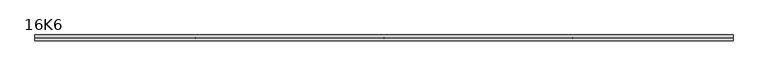
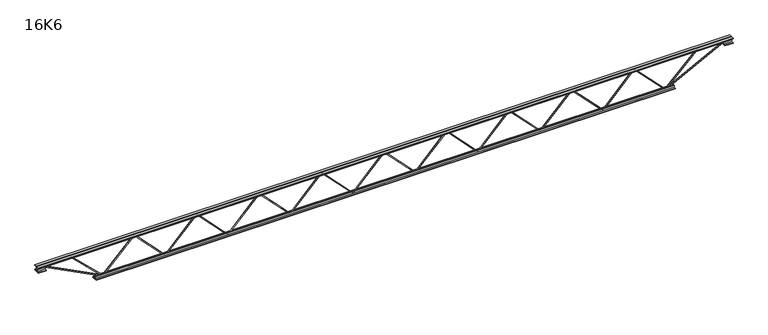
"""IFC4 building model written with IfcOpenShell, lengths in millimetres: beam geometry, 16K6."""

from ifc_helpers import new_model, si_unit, frame, origin, place, context, project, spatial, polyline, outline, extrude, source, transform, mapped, element, save


def beam_16k6_9fa50b86(model_context):
    return source(origin(), model_context, "Body", "SweptSolid", [
        extrude(outline(polyline([(-191.9, 1923.8888889), (-201.4, 1923.8888889), (-201.4, 1929.0852354), (191.9, 2307.5130131), (191.9, 2309.8203202), (-201.4, 2688.248098), (-201.4, 2693.4444444), (-191.9, 2693.4444444), (-191.9, 2692.2907909), (201.4, 2313.8630131), (201.4, 2303.4703202), (-191.9, 1925.0425424), (-191.9, 1923.8888889)])), frame((0.0, -4.75, 0.0), z_axis=(0.0, 1.0, 0.0), x_axis=(0.0, 0.0, 1.0)), (0.0, 0.0, 1.0), 9.5),
        extrude(outline(polyline([(-191.9, 1154.3333333), (-201.4, 1154.3333333), (-201.4, 1159.5296798), (191.9, 1537.9574576), (191.9, 1540.2647646), (-201.4, 1918.6925424), (-201.4, 1923.8888889), (-191.9, 1923.8888889), (-191.9, 1922.7352354), (201.4, 1544.3074576), (201.4, 1533.9147646), (-191.9, 1155.4869869), (-191.9, 1154.3333333)])), frame((0.0, -4.75, 0.0), z_axis=(0.0, 1.0, 0.0), x_axis=(0.0, 0.0, 1.0)), (0.0, 0.0, 1.0), 9.5),
        extrude(outline(polyline([(-191.9, 384.7777778), (-201.4, 384.7777778), (-201.4, 389.9741243), (191.9, 768.401902), (191.9, 770.7092091), (-201.4, 1149.1369869), (-201.4, 1154.3333333), (-191.9, 1154.3333333), (-191.9, 1153.1796798), (201.4, 774.751902), (201.4, 764.3592091), (-191.9, 385.9314313), (-191.9, 384.7777778)])), frame((0.0, -4.75, 0.0), z_axis=(0.0, 1.0, 0.0), x_axis=(0.0, 0.0, 1.0)), (0.0, 0.0, 1.0), 9.5),
        extrude(outline(polyline([(-191.9, -384.7777778), (-201.4, -384.7777778), (-201.4, -379.5814313), (191.9, -1.1536535), (191.9, 1.1536535), (-201.4, 379.5814313), (-201.4, 384.7777778), (-191.9, 384.7777778), (-191.9, 383.6241243), (201.4, 5.1963465), (201.4, -5.1963465), (-191.9, -383.6241243), (-191.9, -384.7777778)])), frame((0.0, -4.75, 0.0), z_axis=(0.0, 1.0, 0.0), x_axis=(0.0, 0.0, 1.0)), (0.0, 0.0, 1.0), 9.5),
        extrude(outline(polyline([(-191.9, -1154.3333333), (-201.4, -1154.3333333), (-201.4, -1149.1369869), (191.9, -770.7092091), (191.9, -768.401902), (-201.4, -389.9741243), (-201.4, -384.7777778), (-191.9, -384.7777778), (-191.9, -385.9314313), (201.4, -764.3592091), (201.4, -774.751902), (-191.9, -1153.1796798), (-191.9, -1154.3333333)])), frame((0.0, -4.75, 0.0), z_axis=(0.0, 1.0, 0.0), x_axis=(0.0, 0.0, 1.0)), (0.0, 0.0, 1.0), 9.5),
        extrude(outline(polyline([(-191.9, -1923.8888889), (-201.4, -1923.8888889), (-201.4, -1918.6925424), (191.9, -1540.2647646), (191.9, -1537.9574576), (-201.4, -1159.5296798), (-201.4, -1154.3333333), (-191.9, -1154.3333333), (-191.9, -1155.4869869), (201.4, -1533.9147646), (201.4, -1544.3074576), (-191.9, -1922.7352354), (-191.9, -1923.8888889)])), frame((0.0, -4.75, 0.0), z_axis=(0.0, 1.0, 0.0), x_axis=(0.0, 0.0, 1.0)), (0.0, 0.0, 1.0), 9.5),
        extrude(outline(polyline([(-191.9, -2693.4444444), (-201.4, -2693.4444444), (-201.4, -2688.248098), (191.9, -2309.8203202), (191.9, -2307.5130131), (-201.4, -1929.0852354), (-201.4, -1923.8888889), (-191.9, -1923.8888889), (-191.9, -1925.0425424), (201.4, -2303.4703202), (201.4, -2313.8630131), (-191.9, -2692.2907909), (-191.9, -2693.4444444)])), frame((0.0, -4.75, 0.0), z_axis=(0.0, 1.0, 0.0), x_axis=(0.0, 0.0, 1.0)), (0.0, 0.0, 1.0), 9.5),
        extrude(outline(polyline([(-191.9, 2693.4444444), (-201.4, 2693.4444444), (-201.4, 2698.6407909), (191.9, 3077.0685687), (191.9, 3079.3758757), (-201.4, 3457.8036535), (-201.4, 3463.0), (-191.9, 3463.0), (-191.9, 3461.8463465), (201.4, 3083.4185687), (201.4, 3073.0258757), (-191.9, 2694.598098), (-191.9, 2693.4444444)])), frame((0.0, -4.75, 0.0), z_axis=(0.0, 1.0, 0.0), x_axis=(0.0, 0.0, 1.0)), (0.0, 0.0, 1.0), 9.5),
        extrude(outline(polyline([(-191.9, -3463.0), (-201.4, -3463.0), (-201.4, -3457.8036535), (191.9, -3079.3758757), (191.9, -3077.0685687), (-201.4, -2698.6407909), (-201.4, -2693.4444444), (-191.9, -2693.4444444), (-191.9, -2694.598098), (201.4, -3073.0258757), (201.4, -3083.4185687), (-191.9, -3461.8463465), (-191.9, -3463.0)])), frame((0.0, -4.75, 0.0), z_axis=(0.0, 1.0, 0.0), x_axis=(0.0, 0.0, 1.0)), (0.0, 0.0, 1.0), 9.5),
        extrude(outline(polyline([(4.75, 203.0), (36.75, 203.0), (36.75, 196.5), (11.25, 196.5), (11.25, 171.0), (4.75, 171.0), (4.75, 203.0)])), frame((-4275.0, 0.0, 0.0), z_axis=(1.0, 0.0, 0.0), x_axis=(0.0, 1.0, 0.0)), (0.0, 0.0, 1.0), 8550.0),
        extrude(outline(polyline([(-4.75, 203.0), (-4.75, 171.0), (-11.25, 171.0), (-11.25, 196.5), (-36.75, 196.5), (-36.75, 203.0), (-4.75, 203.0)])), frame((-4275.0, 0.0, 0.0), z_axis=(1.0, 0.0, 0.0), x_axis=(0.0, 1.0, 0.0)), (0.0, 0.0, 1.0), 8550.0),
        extrude(outline(polyline([(-4.75, 139.5), (-36.75, 139.5), (-36.75, 146.0), (-11.25, 146.0), (-11.25, 171.0), (-4.75, 171.0), (-4.75, 139.5)])), frame((-4275.0, 0.0, 0.0), z_axis=(1.0, 0.0, 0.0), x_axis=(0.0, 1.0, 0.0)), (0.0, 0.0, 1.0), 100.0),
        extrude(outline(polyline([(36.75, 139.5), (4.75, 139.5), (4.75, 171.0), (11.25, 171.0), (11.25, 146.0), (36.75, 146.0), (36.75, 139.5)])), frame((-4275.0, 0.0, 0.0), z_axis=(1.0, 0.0, 0.0), x_axis=(0.0, 1.0, 0.0)), (0.0, 0.0, 1.0), 100.0),
        extrude(outline(polyline([(4.75, 139.5), (4.75, 171.0), (11.25, 171.0), (11.25, 146.0), (36.75, 146.0), (36.75, 139.5), (4.75, 139.5)])), frame((4175.0, 0.0, 0.0), z_axis=(1.0, 0.0, 0.0), x_axis=(0.0, 1.0, 0.0)), (0.0, 0.0, 1.0), 100.0),
        extrude(outline(polyline([(-4.75, 139.5), (-36.75, 139.5), (-36.75, 146.0), (-11.25, 146.0), (-11.25, 171.0), (-4.75, 171.0), (-4.75, 139.5)])), frame((4175.0, 0.0, 0.0), z_axis=(1.0, 0.0, 0.0), x_axis=(0.0, 1.0, 0.0)), (0.0, 0.0, 1.0), 100.0),
        extrude(outline(polyline([(4.75, -203.0), (4.75, -171.0), (11.25, -171.0), (11.25, -196.5), (36.75, -196.5), (36.75, -203.0), (4.75, -203.0)])), frame((-3563.0, 0.0, 0.0), z_axis=(1.0, 0.0, 0.0), x_axis=(0.0, 1.0, 0.0)), (0.0, 0.0, 1.0), 7126.0),
        extrude(outline(polyline([(-4.75, -203.0), (-36.75, -203.0), (-36.75, -196.5), (-11.25, -196.5), (-11.25, -171.0), (-4.75, -171.0), (-4.75, -203.0)])), frame((-3563.0, 0.0, 0.0), z_axis=(1.0, 0.0, 0.0), x_axis=(0.0, 1.0, 0.0)), (0.0, 0.0, 1.0), 7126.0),
        extrude(outline(polyline([(-200.8705467, -3465.1793315), (-192.4294533, -3460.8206685), (175.75, -4173.8460208), (175.75, -4275.0), (166.25, -4275.0), (166.25, -4176.1539792), (-200.8705467, -3465.1793315)])), frame((0.0, -4.75, 0.0), z_axis=(0.0, 1.0, 0.0), x_axis=(0.0, 0.0, 1.0)), (0.0, 0.0, 1.0), 9.5),
        extrude(outline(polyline([(188.7, -3867.7349206), (179.2, -3867.7349206), (179.2, -3856.9613826), (-200.0580933, -3466.3086856), (-193.2419067, -3459.6913144), (188.7, -3853.1084586), (188.7, -3867.7349206)])), frame((0.0, -4.75, 0.0), z_axis=(0.0, 1.0, 0.0), x_axis=(0.0, 0.0, 1.0)), (0.0, 0.0, 1.0), 9.5),
        extrude(outline(polyline([(0.0, -9.5), (0.0, 0.0), (801.3179909, 0.0), (801.3179909, -9.5), (0.0, -9.5)])), frame((4177.1793315, -4.75, 166.7794533), z_axis=(-0.4588066213244953, 0.0, 0.8885361468329812), x_axis=(-0.8885361468329812, 0.0, -0.4588066213244953)), (0.0, 0.0, 1.0), 9.5),
        extrude(outline(polyline([(0.0, -9.5), (0.0, 0.0), (560.4632387, 0.0), (560.4632387, -9.5), (0.0, -9.5)])), frame((3865.625333, -4.75, 193.265947), z_axis=(-0.7017409400326997, 0.0, 0.7124322094641868), x_axis=(-0.7124322094641868, 0.0, -0.7017409400326997)), (0.0, 0.0, 1.0), 9.5),
    ])


if __name__ == "__main__":
    model = new_model("IFC4")
    model_context = context("Model", 3, world=origin())
    ifc_project = project(units=[si_unit("LENGTHUNIT", "METRE", prefix="MILLI")], contexts=[model_context])
    site = spatial("IfcSite", under=ifc_project)
    building = spatial("IfcBuilding", under=site)
    placement = place(None, origin())
    beam_16k6_shape = beam_16k6_9fa50b86(model_context)
    element("IfcBeam", 1, ObjectType="16K6", at=placement, inside=building, context=model_context, shape_type="MappedRepresentation", body=[
        mapped(beam_16k6_shape, transform((0.0, 0.0, 0.0), x_axis=(1.0, 0.0, 0.0), y_axis=(0.0, 1.0, 0.0), z_axis=(0.0, 0.0, 1.0))),
    ])
    save(model, "model.ifc")
